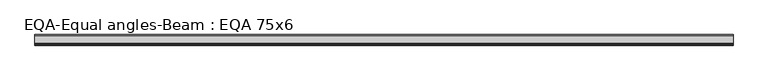
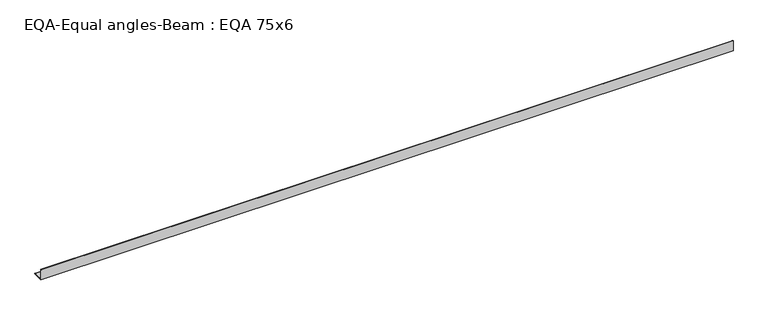
"""IFC4 building model written with IfcOpenShell, lengths in millimetres: beam geometry, EQA-Equal angles-Beam : EQA 75x6."""

from ifc_helpers import new_model, si_unit, point, frame, frame_2d, origin, place, context, project, spatial, polyline, circle_curve, trimmed, segment, composite_curve, outline, extrude, source, transform, mapped, element, save


def eqa_equal_angles_beam_eqa_75x6_49425ef3(model_context):
    return source(origin(), model_context, "Body", "SweptSolid", [
        extrude(outline(composite_curve([segment(polyline([(-20.5, -20.5), (-20.5, 54.5), (-19.0, 54.5)]), True, "CONTINUOUS"), segment(trimmed(circle_curve(frame_2d((-19.0, 50.0)), 4.5), [point((-19.0, 54.5))], [point((-14.5, 50.0))], False, "CARTESIAN"), True, "CONTINUOUS"), segment(polyline([(-14.5, 50.0), (-14.5, -5.5)]), True, "CONTINUOUS"), segment(trimmed(circle_curve(frame_2d((-5.5, -5.5)), 9.0), [point((-14.5, -5.5))], [point((-5.5, -14.5))], True, "CARTESIAN"), True, "CONTINUOUS"), segment(polyline([(-5.5, -14.5), (50.0, -14.5)]), True, "CONTINUOUS"), segment(trimmed(circle_curve(frame_2d((50.0, -19.0)), 4.5), [point((50.0, -14.5))], [point((54.5, -19.0))], False, "CARTESIAN"), True, "CONTINUOUS"), segment(polyline([(54.5, -19.0), (54.5, -20.5), (-20.5, -20.5)]), True, "CONTINUOUS")], self_intersect=False)), frame((-2531.5570951, 0.0, 0.0), z_axis=(1.0, 0.0, 0.0), x_axis=(0.0, 1.0, 0.0)), (0.0, 0.0, 1.0), 4925.7813338),
    ])


if __name__ == "__main__":
    model = new_model("IFC4")
    model_context = context("Model", 3, world=origin())
    ifc_project = project(units=[si_unit("LENGTHUNIT", "METRE", prefix="MILLI")], contexts=[model_context])
    site = spatial("IfcSite", under=ifc_project)
    building = spatial("IfcBuilding", under=site)
    placement = place(None, origin())
    eqa_equal_angles_beam_eqa_75x6_shape = eqa_equal_angles_beam_eqa_75x6_49425ef3(model_context)
    element("IfcBeam", 1, ObjectType="EQA-Equal angles-Beam : EQA 75x6", at=placement, inside=building, context=model_context, shape_type="MappedRepresentation", body=[
        mapped(eqa_equal_angles_beam_eqa_75x6_shape, transform((0.0, 0.0, 0.0), x_axis=(1.0, 0.0, 0.0), y_axis=(0.0, 1.0, 0.0), z_axis=(0.0, 0.0, 1.0))),
    ])
    save(model, "model.ifc")
